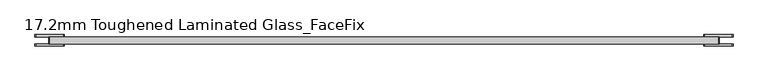
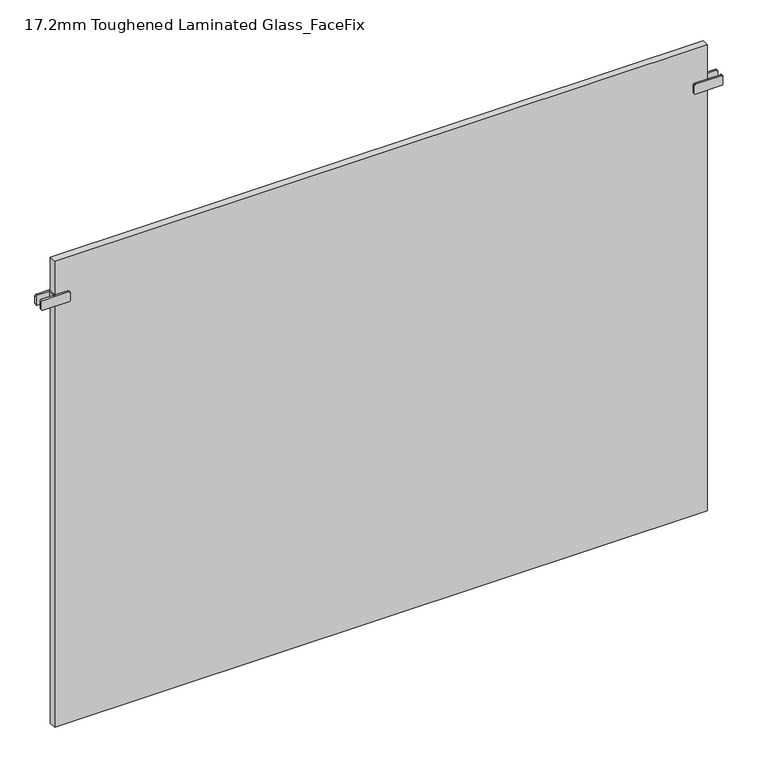
"""IFC4 building model written with IfcOpenShell, lengths in millimetres: plate geometry, 17.2mm Toughened Laminated Glass_FaceFix."""

from ifc_helpers import new_model, si_unit, point, frame, frame_2d, origin, origin_with_axes, place, context, project, spatial, polyline, circle_curve, trimmed, segment, composite_curve, outline, extrude, source, transform, mapped, element, save


def plate_17_2mm_toughened_laminated_glass_facefix_02585f1b(model_context):
    return source(origin(), model_context, "Body", "SweptSolid", [
        extrude(outline(polyline([(-797.5000001, -40.6), (-797.5000001, -23.4), (-792.5000001, -23.4), (-792.5000001, -40.6), (-797.5000001, -40.6)])), frame((0.0, 0.0, 1087.5), z_axis=(0.0, 0.0, 1.0), x_axis=(1.0, 0.0, 0.0)), (0.0, 0.0, 1.0), 25.0),
        extrude(outline(composite_curve([segment(trimmed(circle_curve(frame_2d((1090.5, -763.0000001)), 3.0), [point((1087.5, -763.0000001))], [point((1090.5, -760.0000001))], False, "CARTESIAN"), True, "CONTINUOUS"), segment(polyline([(1090.5, -760.0000001), (1109.5, -760.0000001)]), True, "CONTINUOUS"), segment(trimmed(circle_curve(frame_2d((1109.5, -763.0000001)), 3.0), [point((1109.5, -760.0000001))], [point((1112.5, -763.0000001))], False, "CARTESIAN"), True, "CONTINUOUS"), segment(polyline([(1112.5, -763.0000001), (1112.5, -827.0000001)]), True, "CONTINUOUS"), segment(trimmed(circle_curve(frame_2d((1109.5, -827.0000001)), 3.0), [point((1112.5, -827.0000001))], [point((1109.5, -830.0000001))], False, "CARTESIAN"), True, "CONTINUOUS"), segment(polyline([(1109.5, -830.0000001), (1090.5, -830.0000001)]), True, "CONTINUOUS"), segment(trimmed(circle_curve(frame_2d((1090.5, -827.0000001)), 3.0), [point((1090.5, -830.0000001))], [point((1087.5, -827.0000001))], False, "CARTESIAN"), True, "CONTINUOUS"), segment(polyline([(1087.5, -827.0000001), (1087.5, -763.0000001)]), True, "CONTINUOUS")], self_intersect=False)), frame((0.0, -23.4, 0.0), z_axis=(0.0, 1.0, 0.0), x_axis=(0.0, 0.0, 1.0)), (0.0, 0.0, 1.0), 5.0),
        extrude(outline(composite_curve([segment(trimmed(circle_curve(frame_2d((1090.5, -763.0000001)), 3.0), [point((1087.5, -763.0000001))], [point((1090.5, -760.0000001))], False, "CARTESIAN"), True, "CONTINUOUS"), segment(polyline([(1090.5, -760.0000001), (1109.5, -760.0000001)]), True, "CONTINUOUS"), segment(trimmed(circle_curve(frame_2d((1109.5, -763.0000001)), 3.0), [point((1109.5, -760.0000001))], [point((1112.5, -763.0000001))], False, "CARTESIAN"), True, "CONTINUOUS"), segment(polyline([(1112.5, -763.0000001), (1112.5, -827.0000001)]), True, "CONTINUOUS"), segment(trimmed(circle_curve(frame_2d((1109.5, -827.0000001)), 3.0), [point((1112.5, -827.0000001))], [point((1109.5, -830.0000001))], False, "CARTESIAN"), True, "CONTINUOUS"), segment(polyline([(1109.5, -830.0000001), (1090.5, -830.0000001)]), True, "CONTINUOUS"), segment(trimmed(circle_curve(frame_2d((1090.5, -827.0000001)), 3.0), [point((1090.5, -830.0000001))], [point((1087.5, -827.0000001))], False, "CARTESIAN"), True, "CONTINUOUS"), segment(polyline([(1087.5, -827.0000001), (1087.5, -763.0000001)]), True, "CONTINUOUS")], self_intersect=False)), frame((0.0, -45.6, 0.0), z_axis=(0.0, 1.0, 0.0), x_axis=(0.0, 0.0, 1.0)), (0.0, 0.0, 1.0), 5.0),
        extrude(outline(polyline([(797.5000001, -40.6), (792.5000001, -40.6), (792.5000001, -23.4), (797.5000001, -23.4), (797.5000001, -40.6)])), frame((0.0, 0.0, 1087.5), z_axis=(0.0, 0.0, 1.0), x_axis=(1.0, 0.0, 0.0)), (0.0, 0.0, 1.0), 25.0),
        extrude(outline(composite_curve([segment(polyline([(1087.5, 763.0000001), (1087.5, 827.0000001)]), True, "CONTINUOUS"), segment(trimmed(circle_curve(frame_2d((1090.5, 827.0000001)), 3.0), [point((1087.5, 827.0000001))], [point((1090.5, 830.0000001))], False, "CARTESIAN"), True, "CONTINUOUS"), segment(polyline([(1090.5, 830.0000001), (1109.5, 830.0000001)]), True, "CONTINUOUS"), segment(trimmed(circle_curve(frame_2d((1109.5, 827.0000001)), 3.0), [point((1109.5, 830.0000001))], [point((1112.5, 827.0000001))], False, "CARTESIAN"), True, "CONTINUOUS"), segment(polyline([(1112.5, 827.0000001), (1112.5, 763.0000001)]), True, "CONTINUOUS"), segment(trimmed(circle_curve(frame_2d((1109.5, 763.0000001)), 3.0), [point((1112.5, 763.0000001))], [point((1109.5, 760.0000001))], False, "CARTESIAN"), True, "CONTINUOUS"), segment(polyline([(1109.5, 760.0000001), (1090.5, 760.0000001)]), True, "CONTINUOUS"), segment(trimmed(circle_curve(frame_2d((1090.5, 763.0000001)), 3.0), [point((1090.5, 760.0000001))], [point((1087.5, 763.0000001))], False, "CARTESIAN"), True, "CONTINUOUS")], self_intersect=False)), frame((0.0, -23.4, 0.0), z_axis=(0.0, 1.0, 0.0), x_axis=(0.0, 0.0, 1.0)), (0.0, 0.0, 1.0), 5.0),
        extrude(outline(composite_curve([segment(polyline([(1087.5, 763.0000001), (1087.5, 827.0000001)]), True, "CONTINUOUS"), segment(trimmed(circle_curve(frame_2d((1090.5, 827.0000001)), 3.0), [point((1087.5, 827.0000001))], [point((1090.5, 830.0000001))], False, "CARTESIAN"), True, "CONTINUOUS"), segment(polyline([(1090.5, 830.0000001), (1109.5, 830.0000001)]), True, "CONTINUOUS"), segment(trimmed(circle_curve(frame_2d((1109.5, 827.0000001)), 3.0), [point((1109.5, 830.0000001))], [point((1112.5, 827.0000001))], False, "CARTESIAN"), True, "CONTINUOUS"), segment(polyline([(1112.5, 827.0000001), (1112.5, 763.0000001)]), True, "CONTINUOUS"), segment(trimmed(circle_curve(frame_2d((1109.5, 763.0000001)), 3.0), [point((1112.5, 763.0000001))], [point((1109.5, 760.0000001))], False, "CARTESIAN"), True, "CONTINUOUS"), segment(polyline([(1109.5, 760.0000001), (1090.5, 760.0000001)]), True, "CONTINUOUS"), segment(trimmed(circle_curve(frame_2d((1090.5, 763.0000001)), 3.0), [point((1090.5, 760.0000001))], [point((1087.5, 763.0000001))], False, "CARTESIAN"), True, "CONTINUOUS")], self_intersect=False)), frame((0.0, -45.6, 0.0), z_axis=(0.0, 1.0, 0.0), x_axis=(0.0, 0.0, 1.0)), (0.0, 0.0, 1.0), 5.0),
        extrude(outline(polyline([(795.0000001, -23.4), (795.0000001, -40.6), (-795.0000001, -40.6), (-795.0000001, -23.4), (795.0000001, -23.4)])), origin_with_axes(), (0.0, 0.0, 1.0), 1200.0),
    ])


if __name__ == "__main__":
    model = new_model("IFC4")
    model_context = context("Model", 3, world=origin())
    ifc_project = project(units=[si_unit("LENGTHUNIT", "METRE", prefix="MILLI")], contexts=[model_context])
    site = spatial("IfcSite", under=ifc_project)
    building = spatial("IfcBuilding", under=site)
    placement = place(None, origin())
    plate_17_2mm_toughened_laminated_glass_facefix_shape = plate_17_2mm_toughened_laminated_glass_facefix_02585f1b(model_context)
    element("IfcPlate", 1, ObjectType="17.2mm Toughened Laminated Glass_FaceFix", at=placement, inside=building, context=model_context, shape_type="MappedRepresentation", body=[
        mapped(plate_17_2mm_toughened_laminated_glass_facefix_shape, transform((0.0, 0.0, 0.0), x_axis=(1.0, 0.0, 0.0), y_axis=(0.0, 1.0, 0.0), z_axis=(0.0, 0.0, 1.0))),
    ])
    save(model, "model.ifc")
